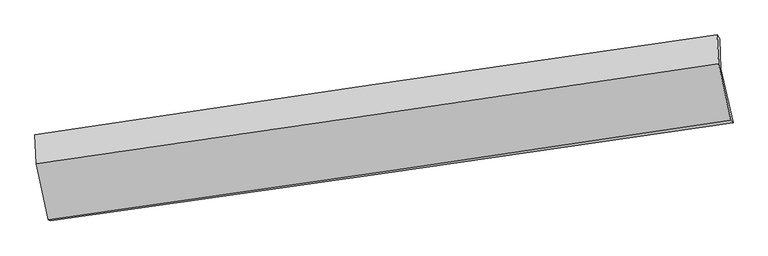
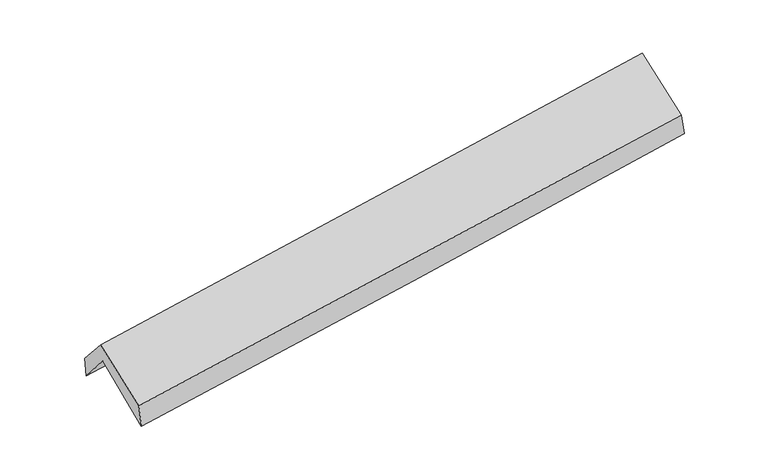
"""IFC4 building model written with IfcOpenShell, lengths in millimetres: proxy geometry."""

from ifc_helpers import new_model, si_unit, frame, origin, place, context, project, spatial, source, transform, mapped, element, save
from ifc_brep_helpers import plane_surface, spline_curve, spline_surface, advanced_brep


def generic_models_c859b16c(model_context):
    return source(origin(), model_context, "Body", "AdvancedBrep", [
        advanced_brep(
        [(-2895.7045007, -2491.7271414, 1429.8691423), (-3003.1120522, -2007.4643296, 1868.8356349), (2943.2149053, -1168.252428, 2372.3980722), (3049.8544942, -1640.3403624, 1944.3819316), (-3014.6139982, -1741.2839497, 1552.6194949), (2931.8864292, -906.0865242, 2060.951037), (-3030.7860299, -1743.7719279, 1746.5012875), (2910.8693289, -874.6327618, 2248.9864088), (-3019.2774285, -1996.7244866, 2040.2214457), (2923.3574325, -1126.6713875, 2530.0882389), (-2915.5477758, -2484.1701205, 1649.7833859), (3030.1727421, -1619.6243662, 2135.1823731)],
        [
            (0, 1),
            (1, 2, spline_curve(3, [(-3003.1120522, -2007.4643296, 1868.8356349), (-2011.619377538, -1869.644971906, 1950.454778132), (-1020.370801219, -1730.804550466, 2033.225709112), (961.738233787, -1451.067456058, 2201.079622442), (1952.598643367, -1310.170576938, 2286.162837108), (2943.2149053, -1168.252428, 2372.3980722)], [4, 2, 4], [0.0, 9.886761383631564, 19.774521207606])),
            (2, 3),
            (3, 0, spline_curve(3, [(3049.8544942, -1640.3403624, 1944.3819316), (2059.652759788, -1785.63299019, 1855.102689001), (1069.063606742, -1929.231699285, 1767.584926342), (-912.789469498, -2213.026949937, 1596.081018705), (-1904.053314888, -2353.223834031, 1512.094518671), (-2895.7045007, -2491.7271414, 1429.8691423)], [4, 2, 4], [0.0, 9.887759823974436, 19.774521207606])),
            (1, 4),
            (4, 5, spline_curve(3, [(-3014.6139982, -1741.2839497, 1552.6194949), (-2022.87207996, -1609.23264111, 1641.090947419), (-1031.484420884, -1473.610896034, 1727.685591416), (950.682459572, -1195.212475081, 1897.129817635), (1941.461610046, -1052.435078739, 1979.979021013), (2931.8864292, -906.0865242, 2060.951037)], [4, 2, 4], [0.0, 9.885254918880033, 19.771508125968673])),
            (5, 2),
            (4, 6),
            (6, 7, spline_curve(3, [(-3030.7860299, -1743.7719279, 1746.5012875), (-2040.974810236, -1595.027243116, 1828.568904622), (-1050.956264136, -1448.230195654, 1911.474316339), (929.595480074, -1158.516746951, 2078.969187887), (1920.12872063, -1015.600739218, 2163.558816113), (2910.8693289, -874.6327618, 2248.9864088)], [4, 2, 4], [0.0, 9.884814949172414, 19.77062814212195])),
            (7, 5),
            (6, 8),
            (8, 9, spline_curve(3, [(-3019.2774285, -1996.7244866, 2040.2214457), (-2028.656786745, -1854.227435346, 2123.454614895), (-1038.151892258, -1710.478209014, 2205.891411507), (942.726417885, -1420.460762442, 2369.180503364), (1933.099810885, -1274.192289124, 2450.03263789), (2923.3574325, -1126.6713875, 2530.0882389)], [4, 2, 4], [0.0, 9.88450883007923, 19.770015873021347])),
            (9, 7),
            (8, 10),
            (10, 11, spline_curve(3, [(-2915.5477758, -2484.1701205, 1649.7833859), (-1924.300168839, -2343.23576266, 1731.756149144), (-933.224664029, -2200.726821223, 1813.190431393), (1048.682209989, -1912.545220927, 1974.99020248), (2039.513544408, -1766.872244389, 2055.355582775), (3030.1727421, -1619.6243662, 2135.1823731)], [4, 2, 4], [0.0, 9.886121465761116, 19.77324130724133])),
            (11, 9),
            (10, 0),
            (3, 11),
        ],
        [
            spline_surface(3, 3, [[(-2895.7045007, -2491.7271414, 1429.8691423), (-1904.05331505, -2353.223834111, 1512.094518685), (-912.789469649, -2213.026950074, 1596.081018829), (1069.063606893, -1929.231699149, 1767.584926218), (2059.652759781, -1785.632990192, 1855.102689154), (3049.8544942, -1640.3403624, 1944.3819316)], [(-2931.507017871, -2330.306204117, 1576.191306483), (-1939.908669234, -2192.030880002, 1658.214605151), (-948.649913533, -2052.286150197, 1741.795915605), (1033.288482544, -1769.843618154, 1912.083158238), (2023.96805431, -1627.145519126, 1998.789405083), (3014.307964565, -1482.9777176, 2087.05397844)], [(-2967.309535029, -2168.885266883, 1722.513470717), (-1975.764023406, -2030.837925943, 1804.334691666), (-984.510357405, -1891.545350278, 1887.510812441), (997.513358206, -1610.455537117, 2056.581390318), (1988.283348844, -1468.658048059, 2142.476121093), (2978.761434935, -1325.6150728, 2229.72602536)], [(-3003.1120522, -2007.4643296, 1868.8356349), (-2011.61937759, -1869.644971834, 1950.454778132), (-1020.370801289, -1730.804550402, 2033.225709216), (961.738233857, -1451.067456122, 2201.079622338), (1952.598643373, -1310.170576993, 2286.162837021), (2943.2149053, -1168.252428, 2372.3980722)]], [4, 4], [4, 2, 4], [0.0, 2.1554761659695143], [0.0, 9.886761383631564, 19.774521207606]),
            spline_surface(3, 3, [[(-3003.1120522, -2007.4643296, 1868.8356349), (-2011.61937759, -1869.644971834, 1950.454778132), (-1020.370801289, -1730.804550402, 2033.225709216), (961.738233857, -1451.067456122, 2201.079622338), (1952.598643373, -1310.170576993, 2286.162837021), (2943.2149053, -1168.252428, 2372.3980722)], [(-3006.9460342, -1918.737536305, 1763.430254916), (-2015.370278346, -1782.840861621, 1847.333501216), (-1024.075341204, -1645.073332232, 1931.379003253), (958.052975794, -1365.782462491, 2099.763020815), (1948.886298903, -1224.258744214, 2184.101565076), (2939.438746604, -1080.863793387, 2268.582393805)], [(-3010.7800162, -1830.010742995, 1658.024874884), (-2019.121179103, -1696.036751392, 1744.212224253), (-1027.779881091, -1559.342114058, 1829.532297267), (954.367717758, -1280.497468857, 1998.44641927), (1945.173954421, -1138.346911473, 2082.040293115), (2935.662587896, -993.475158813, 2164.766715395)], [(-3014.6139982, -1741.2839497, 1552.6194949), (-2022.872079859, -1609.232641179, 1641.090947337), (-1031.484421006, -1473.610895888, 1727.685591304), (950.682459694, -1195.212475227, 1897.129817747), (1941.461609951, -1052.435078693, 1979.97902117), (2931.8864292, -906.0865242, 2060.951037)]], [4, 4], [4, 2, 4], [0.0, 1.3073931021319183], [0.0, 9.885254918880033, 19.771508125968673]),
            spline_surface(3, 3, [[(-3014.6139982, -1741.2839497, 1552.6194949), (-2022.872079859, -1609.232641179, 1641.090947337), (-1031.484421006, -1473.610895888, 1727.685591304), (950.682459694, -1195.212475227, 1897.129817747), (1941.461609951, -1052.435078693, 1979.97902117), (2931.8864292, -906.0865242, 2060.951037)], [(-3020.004675437, -1742.113275774, 1617.246759087), (-2028.906323266, -1604.497508539, 1703.5835997), (-1037.975035395, -1465.150662493, 1788.94849969), (943.653466535, -1182.980565803, 1957.742941063), (1934.350646814, -1040.156965519, 2041.172286162), (2924.880729085, -895.601936759, 2123.629494286)], [(-3025.395352663, -1742.942601826, 1681.874023313), (-2034.940566664, -1599.762375876, 1766.076252104), (-1044.465649836, -1456.690429071, 1850.211408111), (936.624473323, -1170.748656353, 2018.356064413), (1927.239683723, -1027.878852269, 2102.365551098), (2917.875029015, -885.117349241, 2186.307951514)], [(-3030.7860299, -1743.7719279, 1746.5012875), (-2040.974810071, -1595.027243236, 1828.568904467), (-1050.956264226, -1448.230195676, 1911.474316497), (929.595480164, -1158.516746929, 2078.969187729), (1920.128720586, -1015.600739095, 2163.55881609), (2910.8693289, -874.6327618, 2248.9864088)]], [4, 4], [4, 2, 4], [0.0, 0.6119940888389922], [0.0, 9.884814949172414, 19.77062814212195]),
            spline_surface(3, 3, [[(-3030.7860299, -1743.7719279, 1746.5012875), (-2040.974810071, -1595.027243236, 1828.568904467), (-1050.956264226, -1448.230195676, 1911.474316497), (929.595480164, -1158.516746929, 2078.969187729), (1920.128720586, -1015.600739095, 2163.55881609), (2910.8693289, -874.6327618, 2248.9864088)], [(-3026.949829415, -1828.089447464, 1844.40800692), (-2036.868802257, -1681.427307322, 1926.86414133), (-1046.68814029, -1535.646200132, 2009.613348167), (933.972459421, -1245.831418705, 2175.706292958), (1924.452417291, -1101.797922383, 2259.050090044), (2915.032030093, -958.645637009, 2342.687018819)], [(-3023.113628985, -1912.406967036, 1942.31472628), (-2032.762794497, -1767.827371417, 2025.159378132), (-1042.420016299, -1623.062204665, 2107.752379811), (938.349438733, -1333.146090559, 2272.443398161), (1928.776114018, -1187.995105743, 2354.541364043), (2919.194731307, -1042.658512291, 2436.387628881)], [(-3019.2774285, -1996.7244866, 2040.2214457), (-2028.656786682, -1854.227435502, 2123.454614995), (-1038.151892363, -1710.478209121, 2205.891411481), (942.72641799, -1420.460762335, 2369.18050339), (1933.099810723, -1274.192289031, 2450.032637997), (2923.3574325, -1126.6713875, 2530.0882389)]], [4, 4], [4, 2, 4], [0.0, 1.2887895134803853], [0.0, 9.88450883007923, 19.770015873021347]),
            spline_surface(3, 3, [[(-3019.2774285, -1996.7244866, 2040.2214457), (-2028.656786682, -1854.227435502, 2123.454614995), (-1038.151892363, -1710.478209121, 2205.891411481), (942.72641799, -1420.460762335, 2369.18050339), (1933.099810723, -1274.192289031, 2450.032637997), (2923.3574325, -1126.6713875, 2530.0882389)], [(-2984.700877602, -2159.206364558, 1910.075425751), (-1993.871247398, -2017.230211166, 1992.888459729), (-1003.176149574, -1873.894413141, 2074.99108476), (978.04501534, -1584.488915263, 2237.783736417), (1968.571055335, -1438.418940804, 2318.473619592), (2958.962535699, -1290.98904706, 2398.452950286)], [(-2950.124326698, -2321.688242542, 1779.929405849), (-1959.08570811, -2180.232986857, 1862.32230451), (-968.200406827, -2037.310617086, 1944.09075808), (1013.363612648, -1748.517068116, 2106.386969486), (2004.04229995, -1602.645592597, 2186.914601227), (2994.567638901, -1455.30670664, 2266.817661714)], [(-2915.5477758, -2484.1701205, 1649.7833859), (-1924.300168826, -2343.235762522, 1731.756149244), (-933.224664038, -2200.726821106, 1813.19043136), (1048.682209999, -1912.545221044, 1974.990202513), (2039.513544561, -1766.872244369, 2055.355582821), (3030.1727421, -1619.6243662, 2135.1823731)]], [4, 4], [4, 2, 4], [0.0, 2.0934795165096465], [0.0, 9.886121465761116, 19.77324130724133]),
            spline_surface(3, 3, [[(-2915.5477758, -2484.1701205, 1649.7833859), (-1924.300168826, -2343.235762522, 1731.756149244), (-933.224664038, -2200.726821106, 1813.19043136), (1048.682209999, -1912.545221044, 1974.990202513), (2039.513544561, -1766.872244369, 2055.355582821), (3030.1727421, -1619.6243662, 2135.1823731)], [(-2908.933350776, -2486.689127483, 1576.478638043), (-1917.551217577, -2346.565119734, 1658.535605735), (-926.412932575, -2204.826864072, 1740.820627212), (1055.476008964, -1918.107380389, 1905.855110444), (2046.226616323, -1773.125826328, 1988.604618297), (3036.733326155, -1626.529698285, 2071.582225965)], [(-2902.318925724, -2489.208134417, 1503.173890157), (-1910.802266299, -2349.894476899, 1585.315062195), (-919.601201113, -2208.926907108, 1668.450822977), (1062.269807928, -1923.669539803, 1836.720018287), (2052.93968802, -1779.379408233, 1921.853653679), (3043.293910145, -1633.435030315, 2007.982078735)], [(-2895.7045007, -2491.7271414, 1429.8691423), (-1904.05331505, -2353.223834111, 1512.094518685), (-912.789469649, -2213.026950074, 1596.081018829), (1069.063606893, -1929.231699149, 1767.584926218), (2059.652759781, -1785.632990192, 1855.102689154), (3049.8544942, -1640.3403624, 1944.3819316)]], [4, 4], [4, 2, 4], [0.0, 0.7012063890075151], [0.0, 9.887955040772693, 19.776908642432833]),
            plane_surface(frame((2964.8925554, -1222.601305, 2215.3313436), z_axis=(0.9857305216588887, 0.14472304983973536, 0.08596846814490086), x_axis=(0.16674373118821495, -0.7695228266038888, -0.6164666636931746))),
            plane_surface(frame((-2979.8402975, -2077.5236593, 1714.6383985), z_axis=(-0.986214342291036, -0.14251323429407442, -0.0840907195266022), x_axis=(-0.08981419588526653, 0.03420442226905299, 0.9953710201300434))),
        ],
        [
            (0, [[1, 2, 3, 4]]),
            (1, [[5, 6, 7, -2]]),
            (2, [[8, 9, 10, -6]]),
            (3, [[11, 12, 13, -9]]),
            (4, [[14, 15, 16, -12]]),
            (5, [[17, -4, 18, -15]]),
            (6, [[-16, -18, -3, -7, -10, -13]]),
            (7, [[-17, -14, -11, -8, -5, -1]]),
        ],
    ),
    ])


if __name__ == "__main__":
    model = new_model("IFC4")
    model_context = context("Model", 3, world=origin())
    ifc_project = project(units=[si_unit("LENGTHUNIT", "METRE", prefix="MILLI")], contexts=[model_context])
    site = spatial("IfcSite", under=ifc_project)
    building = spatial("IfcBuilding", under=site)
    placement = place(None, origin())
    generic_models_shape = generic_models_c859b16c(model_context)
    element("IfcBuildingElementProxy", 1, Name="Generic Models", at=placement, inside=building, context=model_context, shape_type="MappedRepresentation", body=[
        mapped(generic_models_shape, transform((0.0, 0.0, 0.0), x_axis=(1.0, 0.0, 0.0), y_axis=(0.0, 1.0, 0.0), z_axis=(0.0, 0.0, 1.0))),
    ])
    save(model, "model.ifc")
